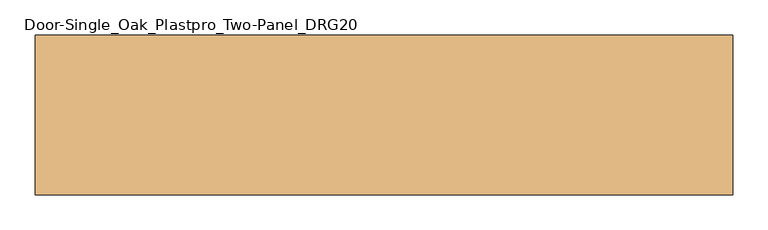
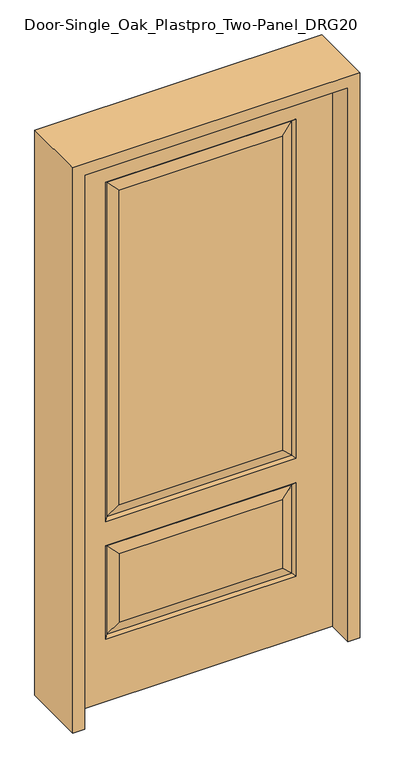
"""IFC4 building model written with IfcOpenShell, lengths in millimetres: door geometry, Door-Single_Oak_Plastpro_Two-Panel_DRG20."""

from ifc_helpers import new_model, si_unit, frame, origin, place, context, project, spatial, polyline, outline, extrude, faceted_brep, source, transform, mapped, element, save


def door_single_oak_plastpro_two_panel_drg20_67cae59a(model_context):
    return source(origin(), model_context, "Body", "SolidModel", [
        faceted_brep([(-321.2197439, -11.6572439, 237.5802561), (-284.1625, -20.6375, 274.6375), (-284.1625, -20.6375, 525.4625), (-321.2197439, -11.6572439, 562.5197439), (-330.2, 20.6375, 228.6), (-321.2197439, 11.6572439, 237.5802561), (321.2197439, 11.6572439, 237.5802561), (330.2, 20.6375, 228.6), (-330.2, 20.6375, 571.5), (-321.2197439, 11.6572439, 562.5197439), (321.2197439, 11.6572439, 562.5197439), (330.2, 20.6375, 571.5), (457.2, 20.6375, 2032.0), (-457.2, 20.6375, 2032.0), (-457.2, -20.6375, 2032.0), (457.2, -20.6375, 2032.0), (457.2, 20.6375, 0.0), (457.2, -20.6375, 0.0), (-457.2, -20.6375, 0.0), (-457.2, 20.6375, 0.0), (284.1625, -20.6375, 274.6375), (284.1625, -20.6375, 525.4625), (-284.1625, -20.6375, 706.4375), (284.1625, -20.6375, 706.4375), (284.1625, -20.6375, 1858.9625), (-284.1625, -20.6375, 1858.9625), (330.2, -20.6375, 660.4), (-330.2, -20.6375, 660.4), (-330.2, -20.6375, 1905.0), (330.2, -20.6375, 1905.0), (330.2, -20.6375, 228.6), (-330.2, -20.6375, 228.6), (-330.2, -20.6375, 571.5), (330.2, -20.6375, 571.5), (-284.1625, 20.6375, 1858.9625), (284.1625, 20.6375, 1858.9625), (284.1625, 20.6375, 706.4375), (-284.1625, 20.6375, 706.4375), (-284.1625, 20.6375, 525.4625), (284.1625, 20.6375, 525.4625), (284.1625, 20.6375, 274.6375), (-284.1625, 20.6375, 274.6375), (330.2, 20.6375, 1905.0), (-330.2, 20.6375, 1905.0), (-330.2, 20.6375, 660.4), (330.2, 20.6375, 660.4), (-321.2197439, 11.6572439, 1896.0197439), (-321.2197439, 11.6572439, 669.3802561), (321.2197439, 11.6572439, 669.3802561), (321.2197439, 11.6572439, 1896.0197439), (321.2197439, -11.6572439, 669.3802561), (-321.2197439, -11.6572439, 669.3802561), (-321.2197439, -11.6572439, 1896.0197439), (321.2197439, -11.6572439, 1896.0197439), (321.2197439, -11.6572439, 237.5802561), (321.2197439, -11.6572439, 562.5197439)], [[[0, 1, 2, 3]], [[4, 5, 6, 7]], [[8, 9, 5, 4]], [[10, 9, 8, 11]], [[12, 13, 14, 15]], [[16, 17, 18, 19]], [[12, 15, 17, 16]], [[1, 20, 21, 2]], [[22, 23, 24, 25]], [[15, 14, 18, 17], [26, 27, 28, 29], [30, 31, 32, 33]], [[14, 13, 19, 18]], [[34, 35, 36, 37]], [[38, 39, 40, 41]], [[13, 12, 16, 19], [11, 8, 4, 7], [42, 43, 44, 45]], [[43, 46, 47, 44]], [[44, 47, 48, 45]], [[49, 42, 45, 48]], [[35, 49, 48, 36]], [[47, 37, 36, 48]], [[46, 34, 37, 47]], [[10, 11, 7, 6]], [[9, 10, 39, 38]], [[39, 10, 6, 40]], [[5, 41, 40, 6]], [[9, 38, 41, 5]], [[50, 51, 27, 26]], [[27, 51, 52, 28]], [[50, 26, 29, 53]], [[51, 50, 23, 22]], [[23, 50, 53, 24]], [[51, 22, 25, 52]], [[54, 0, 31, 30]], [[31, 0, 3, 32]], [[32, 3, 55, 33]], [[54, 30, 33, 55]], [[0, 54, 20, 1]], [[20, 54, 55, 21]], [[3, 2, 21, 55]], [[28, 52, 53, 29]], [[52, 25, 24, 53]], [[49, 46, 43, 42]], [[46, 49, 35, 34]]]),
        extrude(outline(polyline([(2073.275, -498.475), (0.0, -498.475), (0.0, -457.2), (2032.0, -457.2), (2032.0, 457.2), (0.0, 457.2), (0.0, 498.475), (2073.275, 498.475), (2073.275, -498.475)])), frame((0.0, -114.3, 0.0), z_axis=(0.0, 1.0, 0.0), x_axis=(0.0, 0.0, 1.0)), (0.0, 0.0, 1.0), 228.6),
    ])


if __name__ == "__main__":
    model = new_model("IFC4")
    model_context = context("Model", 3, world=origin())
    ifc_project = project(units=[si_unit("LENGTHUNIT", "METRE", prefix="MILLI")], contexts=[model_context])
    site = spatial("IfcSite", under=ifc_project)
    building = spatial("IfcBuilding", under=site)
    placement = place(None, origin())
    door_single_oak_plastpro_two_panel_drg20_shape = door_single_oak_plastpro_two_panel_drg20_67cae59a(model_context)
    element("IfcDoor", 1, ObjectType="Door-Single_Oak_Plastpro_Two-Panel_DRG20", at=placement, inside=building, context=model_context, shape_type="MappedRepresentation", body=[
        mapped(door_single_oak_plastpro_two_panel_drg20_shape, transform((0.0, 0.0, 0.0), x_axis=(1.0, 0.0, 0.0), y_axis=(0.0, 1.0, 0.0), z_axis=(0.0, 0.0, 1.0))),
    ])
    save(model, "model.ifc")
